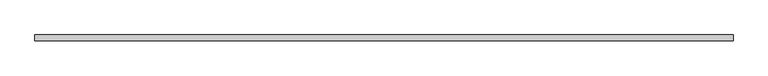
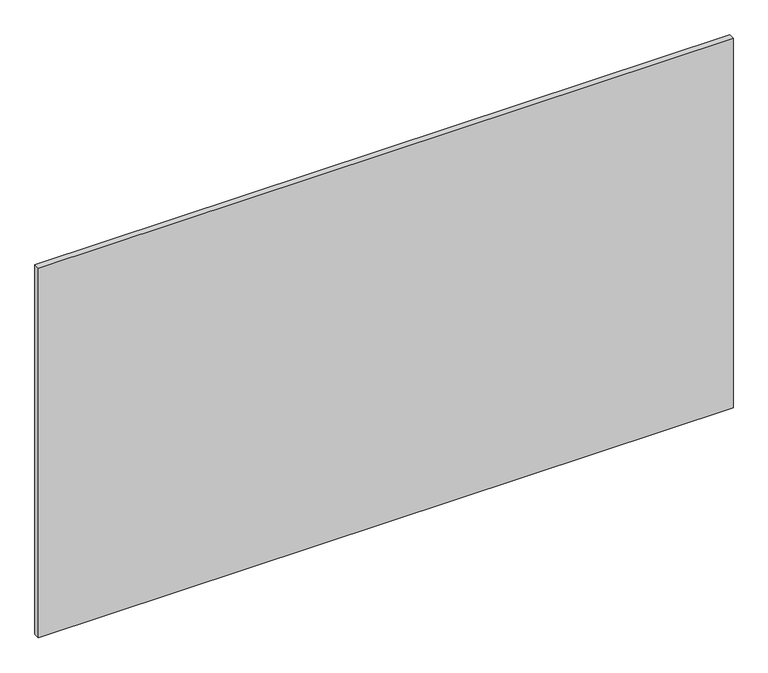
"""IFC4 building model written with IfcOpenShell, lengths in millimetres: plate geometry."""

from ifc_helpers import new_model, si_unit, origin, origin_with_axes, place, context, project, spatial, polyline, outline, extrude, source, transform, mapped, element, save


def plate_1936541f(model_context):
    return source(origin(), model_context, "Body", "SweptSolid", [
        extrude(outline(polyline([(616.65, 5.2), (616.65, -5.2), (-616.65, -5.2), (-616.65, 5.2), (616.65, 5.2)])), origin_with_axes(), (0.0, 0.0, 1.0), 693.2),
    ])


if __name__ == "__main__":
    model = new_model("IFC4")
    model_context = context("Model", 3, world=origin())
    ifc_project = project(units=[si_unit("LENGTHUNIT", "METRE", prefix="MILLI")], contexts=[model_context])
    site = spatial("IfcSite", under=ifc_project)
    building = spatial("IfcBuilding", under=site)
    placement = place(None, origin())
    plate_shape = plate_1936541f(model_context)
    element("IfcPlate", 1, at=placement, inside=building, context=model_context, shape_type="MappedRepresentation", body=[
        mapped(plate_shape, transform((0.0, 0.0, 0.0), x_axis=(1.0, 0.0, 0.0), y_axis=(0.0, 1.0, 0.0), z_axis=(0.0, 0.0, 1.0))),
    ])
    save(model, "model.ifc")
